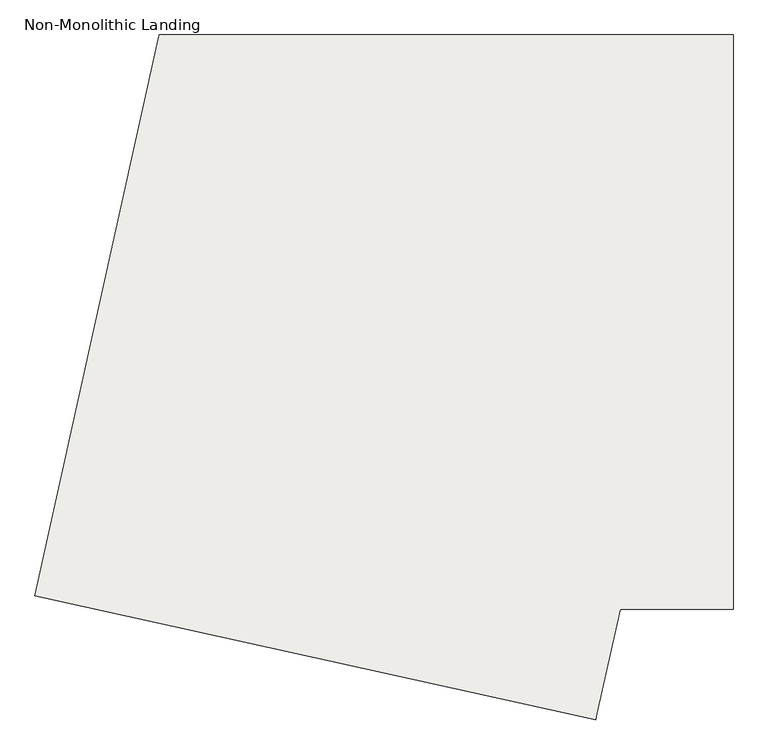
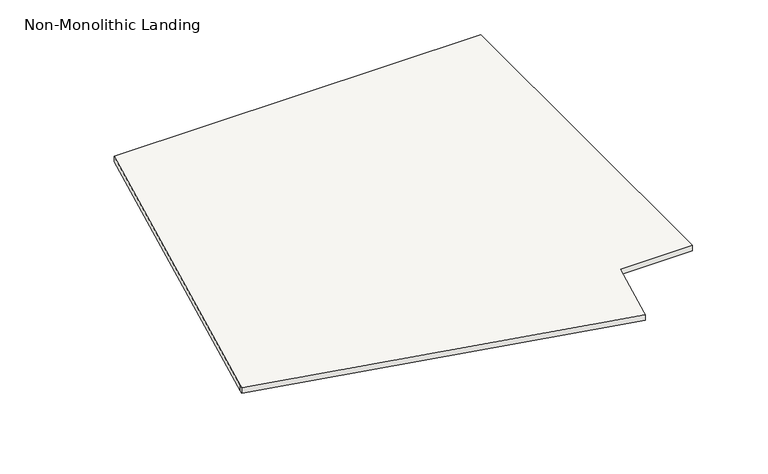
"""IFC4 building model written with IfcOpenShell, lengths in millimetres: slab geometry, Non-Monolithic Landing."""

from ifc_helpers import new_model, si_unit, frame, origin, place, context, project, spatial, polyline, outline, extrude, source, transform, mapped, element, save


def non_monolithic_landing_9fa62db9(model_context):
    return source(origin(), model_context, "Body", "SweptSolid", [
        extrude(outline(polyline([(-115103.6699606, 80978.4395559), (-115583.9211216, 80978.4395559), (-115682.4072654, 80533.4622594), (-115687.8961752, 80508.6624233), (-118068.6804391, 81035.5977596), (-118063.1915294, 81060.3975956), (-117541.6438379, 83416.8395559), (-115103.6699606, 83416.8395559), (-115103.6699606, 80978.4395559)])), frame((0.0, 0.0, 3766.0384615), z_axis=(0.0, 0.0, 1.0), x_axis=(1.0, 0.0, 0.0)), (0.0, 0.0, 1.0), 38.1),
    ])


if __name__ == "__main__":
    model = new_model("IFC4")
    model_context = context("Model", 3, world=origin())
    ifc_project = project(units=[si_unit("LENGTHUNIT", "METRE", prefix="MILLI")], contexts=[model_context])
    site = spatial("IfcSite", under=ifc_project)
    building = spatial("IfcBuilding", under=site)
    placement = place(None, origin())
    non_monolithic_landing_shape = non_monolithic_landing_9fa62db9(model_context)
    element("IfcSlab", 1, ObjectType="Non-Monolithic Landing", at=placement, inside=building, context=model_context, shape_type="MappedRepresentation", body=[
        mapped(non_monolithic_landing_shape, transform((0.0, 0.0, 0.0), x_axis=(1.0, 0.0, 0.0), y_axis=(0.0, 1.0, 0.0), z_axis=(0.0, 0.0, 1.0))),
    ])
    save(model, "model.ifc")
